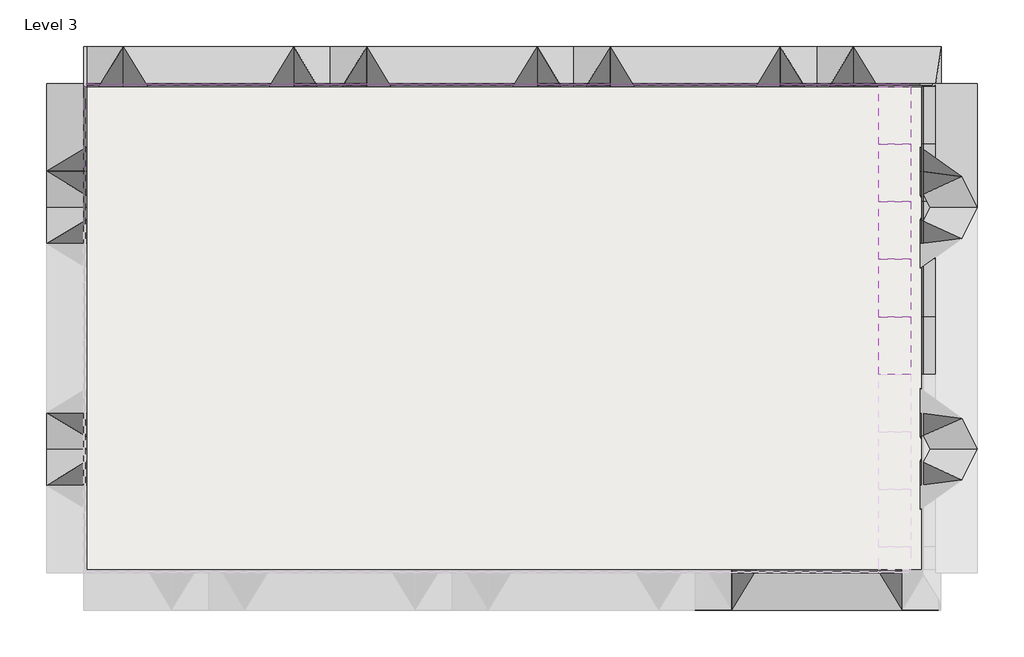
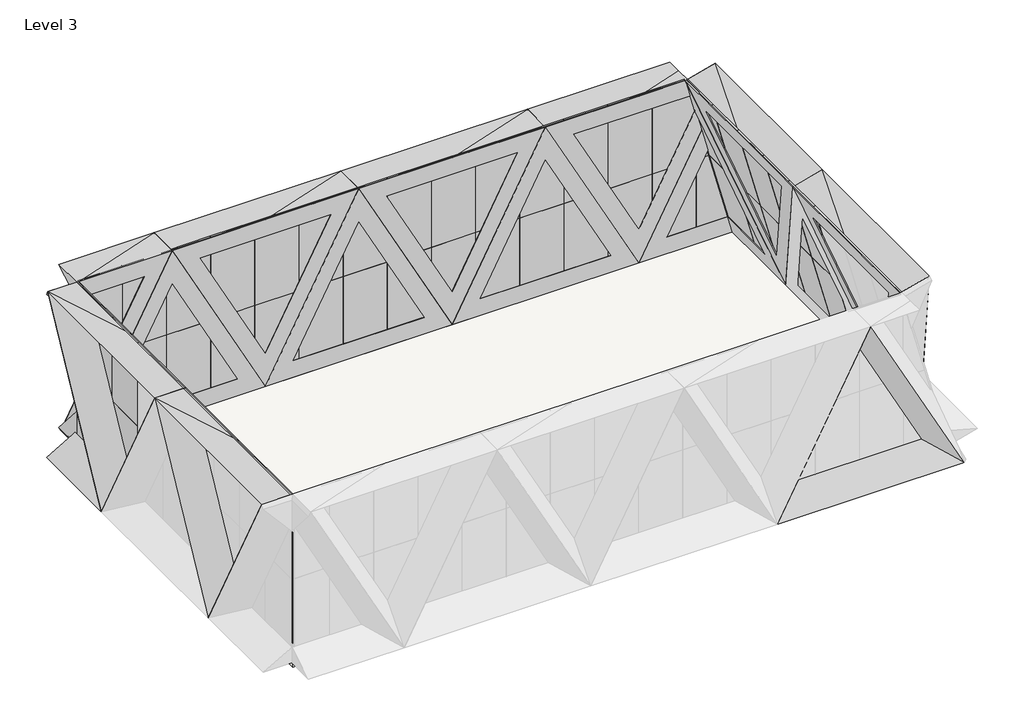
# One storey, part 2 of 2: 61 plates, 1 slab.
"""IFC4 building model written with IfcOpenShell, lengths in millimetres."""

import ifcopenshell
import ifcopenshell.guid

model = None  # the IFC model being written
_history = None  # IfcOwnerHistory: only IFC2X3 demands one
_inside = {}  # id of a spatial element -> (the spatial element, [elements in it])
_under = {}  # id of a project, library or spatial element -> (it, [spatial elements below it])
_declared = {}  # id of a project -> (the project, [libraries it declares])
_typed = {}  # id of a type object -> (the type object, [elements of that type])
_made_of = {}  # id of a material, layer set ... -> (it, [elements and type objects made of it])


def new_model(schema):
    """Start an empty IFC model of exactly this schema.

    Asked for "IFC4X3", IfcOpenShell would pick the latest addendum, in which some entities
    have other attributes; the version numbers below select the first issue.
    IFC2X3 requires an IfcOwnerHistory on every rooted entity: one is made here for all.
    """
    global model, _history
    if schema == "IFC4X3":
        model = ifcopenshell.file(schema_version=(4, 3, 0, 0))
    else:
        model = ifcopenshell.file(schema=schema)
    _inside.clear()
    _under.clear()
    _declared.clear()
    _typed.clear()
    _made_of.clear()
    _history = None
    if model.schema == "IFC2X3":
        org = make("IfcOrganization", Name="unknown")
        user = make(
            "IfcPersonAndOrganization",
            ThePerson=make("IfcPerson", FamilyName="unknown"),
            TheOrganization=org,
        )
        app = make(
            "IfcApplication",
            ApplicationDeveloper=org,
            Version="unknown",
            ApplicationFullName="unknown",
            ApplicationIdentifier="unknown",
        )
        _history = make(
            "IfcOwnerHistory",
            OwningUser=user,
            OwningApplication=app,
            ChangeAction="ADDED",
            CreationDate=0,
        )
    return model


def make(cls, **values):
    """One entity of the class cls with the attributes given. An attribute that is None is left unset."""
    return model.create_entity(
        cls, **{name: value for name, value in values.items() if value is not None}
    )


def rooted(cls, **values):
    """An entity with a GlobalId (a new one), such as an element, a storey or a relation."""
    return make(cls, GlobalId=ifcopenshell.guid.new(), OwnerHistory=_history, **values)


def si_unit(unit_type, name, prefix=None):
    """IfcSIUnit, for example si_unit("LENGTHUNIT", "METRE", prefix="MILLI")."""
    return make("IfcSIUnit", UnitType=unit_type, Prefix=prefix, Name=name)


def assignment(units):
    """IfcUnitAssignment: the units of a project."""
    return None if units is None else make("IfcUnitAssignment", Units=units)


def point(xyz):
    """IfcCartesianPoint."""
    return None if xyz is None else make("IfcCartesianPoint", Coordinates=xyz)


def direction(xyz):
    """IfcDirection."""
    return None if xyz is None else make("IfcDirection", DirectionRatios=xyz)


def frame(location, z_axis=None, x_axis=None):
    """IfcAxis2Placement3D, a coordinate frame: its origin and axes. An axis left out is left unset."""
    return make(
        "IfcAxis2Placement3D",
        Location=point(location),
        Axis=direction(z_axis),
        RefDirection=direction(x_axis),
    )


def origin():
    """The frame at (0, 0, 0) with its axes left unset."""
    return frame((0.0, 0.0, 0.0))


def origin_with_axes():
    """The frame at (0, 0, 0) with the z axis (0, 0, 1) and the x axis (1, 0, 0) written out."""
    return frame((0.0, 0.0, 0.0), z_axis=(0.0, 0.0, 1.0), x_axis=(1.0, 0.0, 0.0))


def place(relative_to, where):
    """IfcLocalPlacement: puts the frame where relative to a parent placement (None: the world)."""
    return make(
        "IfcLocalPlacement", PlacementRelTo=relative_to, RelativePlacement=where
    )


def context(
    kind, dimensions, precision=None, world=None, true_north=None, identifier=None
):
    """IfcGeometricRepresentationContext, for example the 3D "Model" context."""
    return make(
        "IfcGeometricRepresentationContext",
        ContextIdentifier=identifier,
        ContextType=kind,
        CoordinateSpaceDimension=dimensions,
        Precision=precision,
        WorldCoordinateSystem=world,
        TrueNorth=true_north,
    )


def project(units=None, contexts=None):
    """IfcProject with its units and contexts."""
    return rooted(
        "IfcProject",
        Name="project",
        RepresentationContexts=contexts,
        UnitsInContext=assignment(units),
    )


def spatial(cls, under=None, at=None, **own):
    """A site, building, storey or space (cls), placed at a placement, below another one or the project."""
    s = rooted(cls, ObjectPlacement=at, **own)
    if under is not None:
        _under.setdefault(under.id(), (under, []))[1].append(s)
    return s


def polyline(points):
    """IfcPolyline through the points."""
    return make("IfcPolyline", Points=[point(p) for p in points])


def outline(outer, holes=None, kind="AREA"):
    """IfcArbitraryClosedProfileDef: a profile drawn as a closed curve; with holes, ...WithVoids."""
    if holes is None:
        return make("IfcArbitraryClosedProfileDef", ProfileType=kind, OuterCurve=outer)
    return make(
        "IfcArbitraryProfileDefWithVoids",
        ProfileType=kind,
        OuterCurve=outer,
        InnerCurves=holes,
    )


def extrude(swept, where, along, depth):
    """IfcExtrudedAreaSolid: the profile swept, set in the frame where, extruded along a direction by depth."""
    return make(
        "IfcExtrudedAreaSolid",
        SweptArea=swept,
        Position=where,
        ExtrudedDirection=direction(along),
        Depth=depth,
    )


def faces_of(points, faces, orient=None, outer=None):
    """IfcFace entities. A face is a list of loops; a loop is a list of indices into points, from 0.

    orient and outer hold one flag for each loop. By default every Orientation is true, the
    first loop of a face is its IfcFaceOuterBound and the others are IfcFaceBound.
    """
    made = []
    for i, loops in enumerate(faces):
        bounds = []
        for j, loop in enumerate(loops):
            is_outer = j == 0 if outer is None else outer[i][j]
            bounds.append(
                make(
                    "IfcFaceOuterBound" if is_outer else "IfcFaceBound",
                    Bound=make("IfcPolyLoop", Polygon=[points[k] for k in loop]),
                    Orientation=True if orient is None else orient[i][j],
                )
            )
        made.append(make("IfcFace", Bounds=bounds))
    return made


def faceted_brep(points, faces, orient=None, outer=None, voids=None):
    """IfcFacetedBrep: a solid bounded by flat faces; with voids (closed shells), ...WithVoids."""
    shared = [point(p) for p in points]
    hull = make("IfcClosedShell", CfsFaces=faces_of(shared, faces, orient, outer))
    if voids is None:
        return make("IfcFacetedBrep", Outer=hull)
    return make(
        "IfcFacetedBrepWithVoids",
        Outer=hull,
        Voids=[
            make(cls, CfsFaces=faces_of(shared, fs, o, b)) for cls, fs, o, b in voids
        ],
    )


def shape(context_of_items, identifier, shape_type, items):
    """IfcShapeRepresentation: the items that make up one representation, for example the "Body"."""
    return make(
        "IfcShapeRepresentation",
        ContextOfItems=context_of_items,
        RepresentationIdentifier=identifier,
        RepresentationType=shape_type,
        Items=items,
    )


def source(mapping_origin, context_of_items, identifier, shape_type, items):
    """IfcRepresentationMap: a shape defined once, which mapped items show again and again."""
    return make(
        "IfcRepresentationMap",
        MappingOrigin=mapping_origin,
        MappedRepresentation=shape(context_of_items, identifier, shape_type, items),
    )


def transform(
    local_origin,
    x_axis=None,
    y_axis=None,
    z_axis=None,
    scale=None,
    scale2=None,
    scale3=None,
    uniform=True,
):
    """IfcCartesianTransformationOperator3D, or its non-uniform kind. x_axis, y_axis, z_axis: its Axis1, 2, 3."""
    if uniform:
        return make(
            "IfcCartesianTransformationOperator3D",
            Axis1=direction(x_axis),
            Axis2=direction(y_axis),
            LocalOrigin=point(local_origin),
            Scale=scale,
            Axis3=direction(z_axis),
        )
    return make(
        "IfcCartesianTransformationOperator3DnonUniform",
        Axis1=direction(x_axis),
        Axis2=direction(y_axis),
        LocalOrigin=point(local_origin),
        Scale=scale,
        Axis3=direction(z_axis),
        Scale2=scale2,
        Scale3=scale3,
    )


def mapped(mapping_source, mapping_target):
    """IfcMappedItem: shows the shape of a source again, moved by a transform."""
    return make(
        "IfcMappedItem", MappingSource=mapping_source, MappingTarget=mapping_target
    )


def made_of(thing, what):
    """Note that an element or type object is made of a material, layer set ...; save() writes the relation."""
    if what is not None:
        _made_of.setdefault(what.id(), (what, []))[1].append(thing)
    return thing


def element(
    cls,
    number,
    at=None,
    inside=None,
    cuts=None,
    type_object=None,
    material=None,
    context=None,
    identifier="Body",
    shape_type=None,
    held_by="IfcProductDefinitionShape",
    body=None,
    shapes=None,
    **own,
):
    """One element of the class cls, such as IfcWall. Its Tag is "e" and its number.

    at: its placement. inside: the storey or other place that contains it. cuts: it is an
    opening in that element (IfcRelVoidsElement). A single representation is given by context,
    identifier, shape_type and body (its items); several are given by shapes. held_by: the class
    of the entity that holds the representations. save() writes the other relations.
    """
    e = rooted(cls, Tag="e%d" % number, ObjectPlacement=at, **own)
    if body is not None:
        shapes = [shape(context, identifier, shape_type, body)]
    if shapes is not None:
        e.Representation = make(held_by, Representations=shapes)
    if inside is not None:
        _inside.setdefault(inside.id(), (inside, []))[1].append(e)
    if cuts is not None:
        rooted(
            "IfcRelVoidsElement", RelatingBuildingElement=cuts, RelatedOpeningElement=e
        )
    if type_object is not None:
        _typed.setdefault(type_object.id(), (type_object, []))[1].append(e)
    return made_of(e, material)


def aggregate(whole, parts):
    """IfcRelAggregates: a whole, such as a stair, and the parts it consists of."""
    return rooted("IfcRelAggregates", RelatingObject=whole, RelatedObjects=parts)


def save(model, path):
    """Write the relations noted so far, then the file.

    IfcRelAggregates (storeys below a building ...), IfcRelContainedInSpatialStructure (elements
    in a storey), IfcRelDefinesByType, IfcRelAssociatesMaterial and IfcRelDeclares: one each for
    every whole, place, type object, material and project.
    """
    for whole, parts in _under.values():
        aggregate(whole, parts)
    for where, things in _inside.values():
        rooted(
            "IfcRelContainedInSpatialStructure",
            RelatedElements=things,
            RelatingStructure=where,
        )
    for kind, things in _typed.values():
        rooted("IfcRelDefinesByType", RelatedObjects=things, RelatingType=kind)
    for what, things in _made_of.values():
        rooted("IfcRelAssociatesMaterial", RelatedObjects=things, RelatingMaterial=what)
    for by, libraries in _declared.values():
        rooted("IfcRelDeclares", RelatingContext=by, RelatedDefinitions=libraries)
    model.write(path)


def plate_922eb3b0(model_context):
    return source(origin(), model_context, "Body", "Brep", [
        faceted_brep([(6096.0, 2413.3333333, 0.0), (8210.2857143, 6413.3333333, 0.0), (8210.2857143, 6413.3333333, 700.0), (6096.0, 2413.3333333, 700.0), (6096.0, 6413.3333333, 0.0), (3981.7142857, 6413.3333333, 700.0), (3981.7142857, 6413.3333333, 0.0), (7576.0, 6013.3333333, 0.0), (4616.0, 6013.3333333, 0.0), (6096.0, 3213.3333333, 0.0)], [[[0, 1, 2, 3]], [[2, 1, 4, 5]], [[5, 4, 6]], [[0, 3, 5, 6]], [[1, 0, 6, 4], [7, 8, 9]], [[7, 2, 5, 8]], [[8, 5, 3, 9]], [[2, 7, 9, 3]]]),
    ])


def plate_5b34fb70(model_context):
    return source(origin(), model_context, "Body", "Brep", [
        faceted_brep([(6096.0, -2321.7758515, 0.0), (6096.0, -2321.7758515, 700.0), (8196.0, -6459.1120743, 700.0), (8196.0, -6459.1120743, 0.0), (3996.0, -6459.1120743, 700.0), (6096.0, -6459.1120743, 0.0), (3996.0, -6459.1120743, 0.0), (7566.0, -6045.378452, 0.0), (6096.0, -3149.243096, 0.0), (4626.0, -6045.378452, 0.0)], [[[0, 1, 2, 3]], [[2, 4, 5, 3]], [[4, 6, 5]], [[0, 6, 4, 1]], [[3, 5, 6, 0], [7, 8, 9]], [[7, 9, 4, 2]], [[9, 8, 1, 4]], [[2, 1, 8, 7]]]),
    ])


def plate_a750b372(model_context):
    return source(origin(), model_context, "Body", "Brep", [
        faceted_brep([(6096.0, 2413.3333333, 0.0), (8196.0, 6413.3333333, 0.0), (8196.0, 6413.3333333, 700.0), (6096.0, 2413.3333333, 700.0), (6096.0, 6413.3333333, 0.0), (3996.0, 6413.3333333, 700.0), (3996.0, 6413.3333333, 0.0), (7566.0, 6013.3333333, 0.0), (4626.0, 6013.3333333, 0.0), (6096.0, 3213.3333333, 0.0)], [[[0, 1, 2, 3]], [[2, 1, 4, 5]], [[5, 4, 6]], [[0, 3, 5, 6]], [[1, 0, 6, 4], [7, 8, 9]], [[7, 2, 5, 8]], [[8, 5, 3, 9]], [[2, 7, 9, 3]]]),
    ])


def system_panel_glazed_be29b8e7(model_context):
    return source(origin(), model_context, "Body", "SweptSolid", [
        extrude(outline(polyline([(500.0000002, 24.5), (-500.0000002, 24.5), (-500.0000002, 49.5), (500.0000002, 49.5), (500.0000002, 24.5)])), origin_with_axes(), (0.0, 0.0, 1.0), 2000.0),
    ])


def system_panel_glazed_3554767d(model_context):
    return source(origin(), model_context, "Body", "SweptSolid", [
        extrude(outline(polyline([(500.0000002, 24.5), (-500.0000002, 24.5), (-500.0000002, 49.5), (500.0000002, 49.5), (500.0000002, 24.5)])), origin_with_axes(), (0.0, 0.0, 1.0), 2070.0),
    ])


def system_panel_glazed_51f148e5(model_context):
    return source(origin(), model_context, "Body", "SweptSolid", [
        extrude(outline(polyline([(199.9999998, 24.5), (-199.9999998, 24.5), (-199.9999998, 49.5), (199.9999998, 49.5), (199.9999998, 24.5)])), origin_with_axes(), (0.0, 0.0, 1.0), 2000.0),
    ])


def system_panel_glazed_31e82986(model_context):
    return source(origin(), model_context, "Body", "SweptSolid", [
        extrude(outline(polyline([(0.0, -399.9999998), (0.0, 399.9999998), (2000.0, -128.5714287), (2000.0, -399.9999998), (0.0, -399.9999998)])), frame((0.0, 24.5, 0.0), z_axis=(0.0, 1.0, 0.0), x_axis=(0.0, 0.0, 1.0)), (0.0, 0.0, 1.0), 25.0),
    ])


def system_panel_glazed_a304a35b(model_context):
    return source(origin(), model_context, "Body", "SweptSolid", [
        extrude(outline(polyline([(0.0, -500.0), (0.0, 500.0), (1027.0270259, 500.0), (2000.0, 242.8571426), (2000.0, -500.0), (0.0, -500.0)])), frame((0.0, 24.5, 0.0), z_axis=(0.0, 1.0, 0.0), x_axis=(0.0, 0.0, 1.0)), (0.0, 0.0, 1.0), 25.0),
    ])


def system_panel_glazed_a1f136b3(model_context):
    return source(origin(), model_context, "Body", "SweptSolid", [
        extrude(outline(polyline([(0.0, -135.7142856), (0.0, 135.7142856), (1027.0270259, -135.7142856), (0.0, -135.7142856)])), frame((0.0, 24.5, 0.0), z_axis=(0.0, 1.0, 0.0), x_axis=(0.0, 0.0, 1.0)), (0.0, 0.0, 1.0), 25.0),
    ])


model = new_model("IFC4")

# Units and contexts
model_context = context("Model", 3, world=origin())
ifc_project = project(units=[si_unit("LENGTHUNIT", "METRE", prefix="MILLI")], contexts=[model_context])

# Site, building, storey
site = spatial("IfcSite", under=ifc_project)
building = spatial("IfcBuilding", under=site)
storey = spatial("IfcBuildingStorey", under=building, Name="Level 3", Elevation=8000.0)

# Plates
placement = place(None, origin())
element("IfcPlate", 1, at=placement, inside=storey, context=model_context, shape_type="Brep", body=[
    faceted_brep([(5694.4051868, 2753.1684788, 12000.0), (6371.1691357, 2753.1684788, 12178.8590436), (6396.7419248, 2803.9684788, 12082.0971389), (5719.9779759, 2803.9684788, 11903.2380952), (7428.3119928, 653.1684788, 8178.8590436), (6751.5480439, 2753.1684788, 8000.0), (6751.5480439, 2803.9684788, 8000.0), (7428.3119928, 2803.9684788, 8178.8590436), (6751.5480439, 653.1684788, 8000.0), (5931.4065473, 2803.9684788, 11103.2380952), (5905.8337582, 2753.1684788, 11200.0), (6645.8337582, 1283.1684788, 8400.0), (6645.8337582, 2803.9684788, 8400.0)], [[[0, 1, 2, 3]], [[4, 5, 6, 7]], [[5, 4, 8]], [[1, 0, 8, 4]], [[5, 8, 0, 3, 9, 10, 11, 12, 6]], [[11, 4, 7, 12]], [[1, 4, 11, 10]], [[1, 10, 9, 2]], [[3, 2, 9]], [[7, 6, 12]]]),
])
element("IfcPlate", 2, at=placement, inside=storey, context=model_context, shape_type="Brep", body=[
    faceted_brep([(4637.2623297, 2753.1684788, 8000.0), (2522.9766154, 2753.1684788, 12000.0), (2522.9766154, 3453.1684788, 12000.0), (4637.2623297, 3453.1684788, 8000.0), (4637.2623297, 2753.1684788, 12000.0), (5746.9493568, 3120.5648595, 12000.0), (5746.9493568, 3453.1684788, 12000.0), (5746.9493568, 2753.1684788, 12000.0), (6081.8155859, 3453.1684788, 10732.9385928), (6081.8155859, 2753.1684788, 10732.9385928), (5940.8632049, 2753.1684788, 11266.2719262), (4637.2623297, 2753.1684788, 8800.0), (3157.2623297, 2753.1684788, 11600.0), (5852.6636425, 2753.1684788, 11600.0)], [[[0, 1, 2, 3]], [[2, 1, 4, 5, 6]], [[5, 4, 7]], [[0, 3, 8, 9]], [[1, 0, 9, 10, 11, 12, 13, 7, 4]], [[12, 2, 6, 13]], [[3, 11, 10, 8]], [[3, 2, 12, 11]], [[6, 5, 7, 13]], [[9, 8, 10]]]),
])
element("IfcPlate", 3, at=placement, inside=storey, context=model_context, shape_type="Brep", body=[
    faceted_brep([(-8048.4519561, 3453.1684788, 8000.0), (-8048.4519561, 2753.1684788, 8000.0), (-8099.2519561, 2753.1684788, 8096.1081081), (-8099.2519561, 3453.1684788, 8096.1081081), (-8048.4519561, 2753.1684788, 12000.0), (-5934.1662418, 3453.1684788, 12000.0), (-8099.2519561, 3453.1684788, 12000.0), (-8099.2519561, 2753.1684788, 12000.0), (-5934.1662418, 2753.1684788, 12000.0), (-8099.2519561, 2753.1684788, 11600.0), (-6568.4519561, 2753.1684788, 11600.0), (-8048.4519561, 2753.1684788, 8800.0), (-8099.2519561, 2753.1684788, 8896.1081081)], [[[0, 1, 2, 3]], [[4, 5, 6, 7]], [[5, 4, 8]], [[1, 0, 5, 8]], [[8, 4, 7, 9, 10, 11, 12, 2, 1]], [[5, 10, 9, 6]], [[5, 0, 11, 10]], [[11, 0, 3, 12]], [[3, 2, 12]], [[7, 6, 9]]]),
])
element("IfcPlate", 4, at=placement, inside=storey, context=model_context, shape_type="Brep", body=[
    faceted_brep([(6751.5480439, 2753.1684788, 8000.0), (4637.2623297, 3453.1684788, 8000.0), (6802.3480439, 3453.1684788, 8000.0), (6802.3480439, 2753.1684788, 8000.0), (4637.2623297, 2753.1684788, 8000.0), (6081.8155859, 2753.1684788, 10732.9385928), (6081.8155859, 3453.1684788, 10732.9385928), (6802.3480439, 2753.1684788, 8006.5995623), (6698.3779283, 2753.1684788, 8400.0), (5271.5480439, 2753.1684788, 8400.0), (6222.7679668, 2753.1684788, 10199.6052595), (6802.3480439, 3441.6192449, 8006.5995623)], [[[0, 1, 2, 3]], [[1, 0, 4]], [[1, 4, 5, 6]], [[4, 0, 3, 7, 8, 9, 10, 5]], [[1, 9, 8, 11, 2]], [[9, 1, 6, 10]], [[7, 11, 8]], [[6, 5, 10]], [[11, 7, 3, 2]]]),
])
element("IfcPlate", 5, at=placement, inside=storey, context=model_context, shape_type="Brep", body=[
    faceted_brep([(-8748.4519561, 2753.1684788, 12000.0), (-8048.4519561, 2753.1684788, 12000.0), (-8048.4519561, 2803.9684788, 11903.2380952), (-8748.4519561, 2803.9684788, 11903.2380952), (-8048.4519561, 2753.1684788, 8000.0), (-8748.4519561, 653.1684788, 8000.0), (-8748.4519561, 2803.9684788, 8000.0), (-8048.4519561, 2803.9684788, 8000.0), (-8048.4519561, 653.1684788, 8000.0), (-8048.4519561, 2803.9684788, 8400.0), (-8048.4519561, 1283.1684788, 8400.0), (-8048.4519561, 2753.1684788, 11200.0), (-8048.4519561, 2803.9684788, 11103.2380952)], [[[0, 1, 2, 3]], [[4, 5, 6, 7]], [[5, 4, 8]], [[1, 0, 5, 8]], [[8, 4, 7, 9, 10, 11, 12, 2, 1]], [[5, 10, 9, 6]], [[5, 0, 11, 10]], [[11, 0, 3, 12]], [[3, 2, 12]], [[7, 6, 9]]]),
])
plate_shape = plate_922eb3b0(model_context)
element("IfcPlate", 6, at=placement, inside=storey, context=model_context, shape_type="MappedRepresentation", body=[
    mapped(plate_shape, transform((6504.6909011, 2753.1684788, 5586.6666667), x_axis=(-1.0, 0.0, 0.0), y_axis=(0.0, 0.0, 1.0), z_axis=(0.0, 1.0, 0.0))),
])
element("IfcPlate", 7, at=placement, inside=storey, context=model_context, shape_type="MappedRepresentation", body=[
    mapped(plate_shape, transform((2276.1194725, 2753.1684788, 5586.6666667), x_axis=(-1.0, 0.0, 0.0), y_axis=(0.0, 0.0, 1.0), z_axis=(0.0, 1.0, 0.0))),
])
element("IfcPlate", 8, at=placement, inside=storey, context=model_context, shape_type="MappedRepresentation", body=[
    mapped(plate_shape, transform((10733.2623297, -5646.8315212, 14413.3333333), x_axis=(-1.0, 0.0, 0.0), y_axis=(0.0, 0.0, -1.0), z_axis=(0.0, -1.0, 0.0))),
])
element("IfcPlate", 9, at=placement, inside=storey, context=model_context, shape_type="MappedRepresentation", body=[
    mapped(plate_shape, transform((-3573.0233846, 2753.1684788, 14413.3333333), x_axis=(1.0, 0.0, 0.0), y_axis=(0.0, 0.0, -1.0), z_axis=(0.0, 1.0, 0.0))),
])
element("IfcPlate", 10, at=placement, inside=storey, context=model_context, shape_type="MappedRepresentation", body=[
    mapped(plate_shape, transform((-7801.5948132, 2753.1684788, 14413.3333333), x_axis=(1.0, 0.0, 0.0), y_axis=(0.0, 0.0, -1.0), z_axis=(0.0, 1.0, 0.0))),
])
element("IfcPlate", 11, at=placement, inside=storey, context=model_context, shape_type="MappedRepresentation", body=[
    mapped(plate_shape, transform((-12030.1662418, 2753.1684788, 14413.3333333), x_axis=(1.0, 0.0, 0.0), y_axis=(0.0, 0.0, -1.0), z_axis=(0.0, 1.0, 0.0))),
])
plate_2_shape = plate_5b34fb70(model_context)
element("IfcPlate", 12, at=placement, inside=storey, context=model_context, shape_type="MappedRepresentation", body=[
    mapped(plate_2_shape, transform((7344.7917701, 6749.1684788, 5755.294009), x_axis=(0.0, -1.0, 0.0), y_axis=(0.25551291947698035, 0.0, -0.9668056412642358), z_axis=(0.9668056412642358, 0.0, 0.25551291947698035))),
])
element("IfcPlate", 13, at=placement, inside=storey, context=model_context, shape_type="MappedRepresentation", body=[
    mapped(plate_2_shape, transform((7344.7917701, 2549.1684788, 5755.294009), x_axis=(0.0, -1.0, 0.0), y_axis=(0.25551291947698057, 0.0, -0.9668056412642356), z_axis=(0.9668056412642356, 0.0, 0.25551291947698057))),
])
plate_3_shape = plate_a750b372(model_context)
element("IfcPlate", 14, at=placement, inside=storey, context=model_context, shape_type="MappedRepresentation", body=[
    mapped(plate_3_shape, transform((-8048.4519561, 6749.1684788, 5586.6666667), x_axis=(0.0, -1.0, 0.0), y_axis=(0.0, 0.0, 1.0), z_axis=(-1.0, 0.0, 0.0))),
])
element("IfcPlate", 15, at=placement, inside=storey, context=model_context, shape_type="MappedRepresentation", body=[
    mapped(plate_3_shape, transform((-8048.4519561, 2549.1684788, 5586.6666667), x_axis=(0.0, -1.0, 0.0), y_axis=(0.0, 0.0, 1.0), z_axis=(-1.0, 0.0, 0.0))),
])
system_panel_glazed_shape = system_panel_glazed_be29b8e7(model_context)
element("IfcPlate", 16, ObjectType="System Panel : Glazed", at=placement, inside=storey, context=model_context, shape_type="MappedRepresentation", body=[
    mapped(system_panel_glazed_shape, transform((-7548.4519559, 2753.1684788, 8000.0), x_axis=(1.0, 0.0, 0.0), y_axis=(0.0, 1.0, 0.0), z_axis=(0.0, 0.0, 1.0))),
])
element("IfcPlate", 17, ObjectType="System Panel : Glazed", at=placement, inside=storey, context=model_context, shape_type="MappedRepresentation", body=[
    mapped(system_panel_glazed_shape, transform((-6548.4519558, 2753.1684788, 8000.0), x_axis=(1.0, 0.0, 0.0), y_axis=(0.0, 1.0, 0.0), z_axis=(0.0, 0.0, 1.0))),
])
element("IfcPlate", 18, ObjectType="System Panel : Glazed", at=placement, inside=storey, context=model_context, shape_type="MappedRepresentation", body=[
    mapped(system_panel_glazed_shape, transform((-5548.4519558, 2753.1684788, 8000.0), x_axis=(1.0, 0.0, 0.0), y_axis=(0.0, 1.0, 0.0), z_axis=(0.0, 0.0, 1.0))),
])
element("IfcPlate", 19, ObjectType="System Panel : Glazed", at=placement, inside=storey, context=model_context, shape_type="MappedRepresentation", body=[
    mapped(system_panel_glazed_shape, transform((-4548.4519558, 2753.1684788, 8000.0), x_axis=(1.0, 0.0, 0.0), y_axis=(0.0, 1.0, 0.0), z_axis=(0.0, 0.0, 1.0))),
])
element("IfcPlate", 20, ObjectType="System Panel : Glazed", at=placement, inside=storey, context=model_context, shape_type="MappedRepresentation", body=[
    mapped(system_panel_glazed_shape, transform((-3548.4519558, 2753.1684788, 8000.0), x_axis=(1.0, 0.0, 0.0), y_axis=(0.0, 1.0, 0.0), z_axis=(0.0, 0.0, 1.0))),
])
element("IfcPlate", 21, ObjectType="System Panel : Glazed", at=placement, inside=storey, context=model_context, shape_type="MappedRepresentation", body=[
    mapped(system_panel_glazed_shape, transform((-2548.4519558, 2753.1684788, 8000.0), x_axis=(1.0, 0.0, 0.0), y_axis=(0.0, 1.0, 0.0), z_axis=(0.0, 0.0, 1.0))),
])
element("IfcPlate", 22, ObjectType="System Panel : Glazed", at=placement, inside=storey, context=model_context, shape_type="MappedRepresentation", body=[
    mapped(system_panel_glazed_shape, transform((-1548.4519558, 2753.1684788, 8000.0), x_axis=(1.0, 0.0, 0.0), y_axis=(0.0, 1.0, 0.0), z_axis=(0.0, 0.0, 1.0))),
])
element("IfcPlate", 23, ObjectType="System Panel : Glazed", at=placement, inside=storey, context=model_context, shape_type="MappedRepresentation", body=[
    mapped(system_panel_glazed_shape, transform((-548.4519558, 2753.1684788, 8000.0), x_axis=(1.0, 0.0, 0.0), y_axis=(0.0, 1.0, 0.0), z_axis=(0.0, 0.0, 1.0))),
])
element("IfcPlate", 24, ObjectType="System Panel : Glazed", at=placement, inside=storey, context=model_context, shape_type="MappedRepresentation", body=[
    mapped(system_panel_glazed_shape, transform((451.5480442, 2753.1684788, 8000.0), x_axis=(1.0, 0.0, 0.0), y_axis=(0.0, 1.0, 0.0), z_axis=(0.0, 0.0, 1.0))),
])
element("IfcPlate", 25, ObjectType="System Panel : Glazed", at=placement, inside=storey, context=model_context, shape_type="MappedRepresentation", body=[
    mapped(system_panel_glazed_shape, transform((1451.5480442, 2753.1684788, 8000.0), x_axis=(1.0, 0.0, 0.0), y_axis=(0.0, 1.0, 0.0), z_axis=(0.0, 0.0, 1.0))),
])
element("IfcPlate", 26, ObjectType="System Panel : Glazed", at=placement, inside=storey, context=model_context, shape_type="MappedRepresentation", body=[
    mapped(system_panel_glazed_shape, transform((2451.5480442, 2753.1684788, 8000.0), x_axis=(1.0, 0.0, 0.0), y_axis=(0.0, 1.0, 0.0), z_axis=(0.0, 0.0, 1.0))),
])
element("IfcPlate", 27, ObjectType="System Panel : Glazed", at=placement, inside=storey, context=model_context, shape_type="MappedRepresentation", body=[
    mapped(system_panel_glazed_shape, transform((3451.5480442, 2753.1684788, 8000.0), x_axis=(1.0, 0.0, 0.0), y_axis=(0.0, 1.0, 0.0), z_axis=(0.0, 0.0, 1.0))),
])
element("IfcPlate", 28, ObjectType="System Panel : Glazed", at=placement, inside=storey, context=model_context, shape_type="MappedRepresentation", body=[
    mapped(system_panel_glazed_shape, transform((4451.5480442, 2753.1684788, 8000.0), x_axis=(1.0, 0.0, 0.0), y_axis=(0.0, 1.0, 0.0), z_axis=(0.0, 0.0, 1.0))),
])
element("IfcPlate", 29, ObjectType="System Panel : Glazed", at=placement, inside=storey, context=model_context, shape_type="MappedRepresentation", body=[
    mapped(system_panel_glazed_shape, transform((5451.5480442, 2753.1684788, 8000.0), x_axis=(1.0, 0.0, 0.0), y_axis=(0.0, 1.0, 0.0), z_axis=(0.0, 0.0, 1.0))),
])
element("IfcPlate", 30, ObjectType="System Panel : Glazed", at=placement, inside=storey, context=model_context, shape_type="MappedRepresentation", body=[
    mapped(system_panel_glazed_shape, transform((-7548.4519559, 2753.1684788, 10000.0), x_axis=(1.0, 0.0, 0.0), y_axis=(0.0, 1.0, 0.0), z_axis=(0.0, 0.0, 1.0))),
])
element("IfcPlate", 31, ObjectType="System Panel : Glazed", at=placement, inside=storey, context=model_context, shape_type="MappedRepresentation", body=[
    mapped(system_panel_glazed_shape, transform((-6548.4519558, 2753.1684788, 10000.0), x_axis=(1.0, 0.0, 0.0), y_axis=(0.0, 1.0, 0.0), z_axis=(0.0, 0.0, 1.0))),
])
element("IfcPlate", 32, ObjectType="System Panel : Glazed", at=placement, inside=storey, context=model_context, shape_type="MappedRepresentation", body=[
    mapped(system_panel_glazed_shape, transform((-5548.4519558, 2753.1684788, 10000.0), x_axis=(1.0, 0.0, 0.0), y_axis=(0.0, 1.0, 0.0), z_axis=(0.0, 0.0, 1.0))),
])
element("IfcPlate", 33, ObjectType="System Panel : Glazed", at=placement, inside=storey, context=model_context, shape_type="MappedRepresentation", body=[
    mapped(system_panel_glazed_shape, transform((-4548.4519558, 2753.1684788, 10000.0), x_axis=(1.0, 0.0, 0.0), y_axis=(0.0, 1.0, 0.0), z_axis=(0.0, 0.0, 1.0))),
])
element("IfcPlate", 34, ObjectType="System Panel : Glazed", at=placement, inside=storey, context=model_context, shape_type="MappedRepresentation", body=[
    mapped(system_panel_glazed_shape, transform((-3548.4519558, 2753.1684788, 10000.0), x_axis=(1.0, 0.0, 0.0), y_axis=(0.0, 1.0, 0.0), z_axis=(0.0, 0.0, 1.0))),
])
element("IfcPlate", 35, ObjectType="System Panel : Glazed", at=placement, inside=storey, context=model_context, shape_type="MappedRepresentation", body=[
    mapped(system_panel_glazed_shape, transform((-2548.4519558, 2753.1684788, 10000.0), x_axis=(1.0, 0.0, 0.0), y_axis=(0.0, 1.0, 0.0), z_axis=(0.0, 0.0, 1.0))),
])
element("IfcPlate", 36, ObjectType="System Panel : Glazed", at=placement, inside=storey, context=model_context, shape_type="MappedRepresentation", body=[
    mapped(system_panel_glazed_shape, transform((-1548.4519558, 2753.1684788, 10000.0), x_axis=(1.0, 0.0, 0.0), y_axis=(0.0, 1.0, 0.0), z_axis=(0.0, 0.0, 1.0))),
])
element("IfcPlate", 37, ObjectType="System Panel : Glazed", at=placement, inside=storey, context=model_context, shape_type="MappedRepresentation", body=[
    mapped(system_panel_glazed_shape, transform((-548.4519558, 2753.1684788, 10000.0), x_axis=(1.0, 0.0, 0.0), y_axis=(0.0, 1.0, 0.0), z_axis=(0.0, 0.0, 1.0))),
])
element("IfcPlate", 38, ObjectType="System Panel : Glazed", at=placement, inside=storey, context=model_context, shape_type="MappedRepresentation", body=[
    mapped(system_panel_glazed_shape, transform((451.5480442, 2753.1684788, 10000.0), x_axis=(1.0, 0.0, 0.0), y_axis=(0.0, 1.0, 0.0), z_axis=(0.0, 0.0, 1.0))),
])
element("IfcPlate", 39, ObjectType="System Panel : Glazed", at=placement, inside=storey, context=model_context, shape_type="MappedRepresentation", body=[
    mapped(system_panel_glazed_shape, transform((1451.5480442, 2753.1684788, 10000.0), x_axis=(1.0, 0.0, 0.0), y_axis=(0.0, 1.0, 0.0), z_axis=(0.0, 0.0, 1.0))),
])
element("IfcPlate", 40, ObjectType="System Panel : Glazed", at=placement, inside=storey, context=model_context, shape_type="MappedRepresentation", body=[
    mapped(system_panel_glazed_shape, transform((2451.5480442, 2753.1684788, 10000.0), x_axis=(1.0, 0.0, 0.0), y_axis=(0.0, 1.0, 0.0), z_axis=(0.0, 0.0, 1.0))),
])
element("IfcPlate", 41, ObjectType="System Panel : Glazed", at=placement, inside=storey, context=model_context, shape_type="MappedRepresentation", body=[
    mapped(system_panel_glazed_shape, transform((3451.5480442, 2753.1684788, 10000.0), x_axis=(1.0, 0.0, 0.0), y_axis=(0.0, 1.0, 0.0), z_axis=(0.0, 0.0, 1.0))),
])
element("IfcPlate", 42, ObjectType="System Panel : Glazed", at=placement, inside=storey, context=model_context, shape_type="MappedRepresentation", body=[
    mapped(system_panel_glazed_shape, transform((4451.5480442, 2753.1684788, 10000.0), x_axis=(1.0, 0.0, 0.0), y_axis=(0.0, 1.0, 0.0), z_axis=(0.0, 0.0, 1.0))),
])
element("IfcPlate", 43, ObjectType="System Panel : Glazed", at=placement, inside=storey, context=model_context, shape_type="MappedRepresentation", body=[
    mapped(system_panel_glazed_shape, transform((-8048.4519561, 853.1684791, 8000.0), x_axis=(0.0, 1.0, 0.0), y_axis=(-1.0, 0.0, 0.0), z_axis=(0.0, 0.0, 1.0))),
])
element("IfcPlate", 44, ObjectType="System Panel : Glazed", at=placement, inside=storey, context=model_context, shape_type="MappedRepresentation", body=[
    mapped(system_panel_glazed_shape, transform((-8048.4519561, 1853.1684791, 8000.0), x_axis=(0.0, 1.0, 0.0), y_axis=(-1.0, 0.0, 0.0), z_axis=(0.0, 0.0, 1.0))),
])
element("IfcPlate", 45, ObjectType="System Panel : Glazed", at=placement, inside=storey, context=model_context, shape_type="MappedRepresentation", body=[
    mapped(system_panel_glazed_shape, transform((-8048.4519561, 853.1684791, 10000.0), x_axis=(0.0, 1.0, 0.0), y_axis=(-1.0, 0.0, 0.0), z_axis=(0.0, 0.0, 1.0))),
])
element("IfcPlate", 46, ObjectType="System Panel : Glazed", at=placement, inside=storey, context=model_context, shape_type="MappedRepresentation", body=[
    mapped(system_panel_glazed_shape, transform((-8048.4519561, 1853.1684791, 10000.0), x_axis=(0.0, 1.0, 0.0), y_axis=(-1.0, 0.0, 0.0), z_axis=(0.0, 0.0, 1.0))),
])
system_panel_glazed_2_shape = system_panel_glazed_3554767d(model_context)
element("IfcPlate", 47, ObjectType="System Panel : Glazed", at=placement, inside=storey, context=model_context, shape_type="MappedRepresentation", body=[
    mapped(system_panel_glazed_2_shape, transform((6751.5480439, 2253.1684787, 8000.0), x_axis=(0.0, -1.0, 0.0), y_axis=(0.9668056412642357, 0.0, 0.25551291947698035), z_axis=(-0.25551291947698035, 0.0, 0.9668056412642357))),
])
element("IfcPlate", 48, ObjectType="System Panel : Glazed", at=placement, inside=storey, context=model_context, shape_type="MappedRepresentation", body=[
    mapped(system_panel_glazed_2_shape, transform((6751.5480439, 1253.1684785, 8000.0), x_axis=(0.0, -1.0, 0.0), y_axis=(0.9668056412642357, 0.0, 0.25551291947698035), z_axis=(-0.25551291947698035, 0.0, 0.9668056412642357))),
])
element("IfcPlate", 49, ObjectType="System Panel : Glazed", at=placement, inside=storey, context=model_context, shape_type="MappedRepresentation", body=[
    mapped(system_panel_glazed_2_shape, transform((6751.5480439, 253.1684785, 8000.0), x_axis=(0.0, -1.0, 0.0), y_axis=(0.9668056412642357, 0.0, 0.25551291947698035), z_axis=(-0.25551291947698035, 0.0, 0.9668056412642357))),
])
element("IfcPlate", 50, ObjectType="System Panel : Glazed", at=placement, inside=storey, context=model_context, shape_type="MappedRepresentation", body=[
    mapped(system_panel_glazed_2_shape, transform((6751.5480439, -746.8315215, 8000.0), x_axis=(0.0, -1.0, 0.0), y_axis=(0.9668056412642357, 0.0, 0.25551291947698035), z_axis=(-0.25551291947698035, 0.0, 0.9668056412642357))),
])
element("IfcPlate", 51, ObjectType="System Panel : Glazed", at=placement, inside=storey, context=model_context, shape_type="MappedRepresentation", body=[
    mapped(system_panel_glazed_2_shape, transform((6751.5480439, -1746.8315215, 8000.0), x_axis=(0.0, -1.0, 0.0), y_axis=(0.9668056412642357, 0.0, 0.25551291947698035), z_axis=(-0.25551291947698035, 0.0, 0.9668056412642357))),
])
element("IfcPlate", 52, ObjectType="System Panel : Glazed", at=placement, inside=storey, context=model_context, shape_type="MappedRepresentation", body=[
    mapped(system_panel_glazed_2_shape, transform((6222.6363006, 2253.1684787, 10001.2876774), x_axis=(0.0, -1.0, 0.0), y_axis=(0.9668056412642357, 0.0, 0.25551291947698035), z_axis=(-0.25551291947698035, 0.0, 0.9668056412642357))),
])
element("IfcPlate", 53, ObjectType="System Panel : Glazed", at=placement, inside=storey, context=model_context, shape_type="MappedRepresentation", body=[
    mapped(system_panel_glazed_2_shape, transform((6222.6363006, 1253.1684785, 10001.2876774), x_axis=(0.0, -1.0, 0.0), y_axis=(0.9668056412642357, 0.0, 0.25551291947698035), z_axis=(-0.25551291947698035, 0.0, 0.9668056412642357))),
])
element("IfcPlate", 54, ObjectType="System Panel : Glazed", at=placement, inside=storey, context=model_context, shape_type="MappedRepresentation", body=[
    mapped(system_panel_glazed_2_shape, transform((6222.6363006, 253.1684785, 10001.2876774), x_axis=(0.0, -1.0, 0.0), y_axis=(0.9668056412642357, 0.0, 0.25551291947698035), z_axis=(-0.25551291947698035, 0.0, 0.9668056412642357))),
])
element("IfcPlate", 55, ObjectType="System Panel : Glazed", at=placement, inside=storey, context=model_context, shape_type="MappedRepresentation", body=[
    mapped(system_panel_glazed_2_shape, transform((6222.6363006, -746.8315215, 10001.2876774), x_axis=(0.0, -1.0, 0.0), y_axis=(0.9668056412642357, 0.0, 0.25551291947698035), z_axis=(-0.25551291947698035, 0.0, 0.9668056412642357))),
])
element("IfcPlate", 56, ObjectType="System Panel : Glazed", at=placement, inside=storey, context=model_context, shape_type="MappedRepresentation", body=[
    mapped(system_panel_glazed_2_shape, transform((6222.6363006, -1746.8315215, 10001.2876774), x_axis=(0.0, -1.0, 0.0), y_axis=(0.9668056412642357, 0.0, 0.25551291947698035), z_axis=(-0.25551291947698035, 0.0, 0.9668056412642357))),
])
system_panel_glazed_3_shape = system_panel_glazed_51f148e5(model_context)
element("IfcPlate", 57, ObjectType="System Panel : Glazed", at=placement, inside=storey, context=model_context, shape_type="MappedRepresentation", body=[
    mapped(system_panel_glazed_3_shape, transform((-8048.4519561, 2553.168479, 8000.0), x_axis=(0.0, 1.0, 0.0), y_axis=(-1.0, 0.0, 0.0), z_axis=(0.0, 0.0, 1.0))),
])
element("IfcPlate", 58, ObjectType="System Panel : Glazed", at=placement, inside=storey, context=model_context, shape_type="MappedRepresentation", body=[
    mapped(system_panel_glazed_3_shape, transform((-8048.4519561, 2553.168479, 10000.0), x_axis=(0.0, 1.0, 0.0), y_axis=(-1.0, 0.0, 0.0), z_axis=(0.0, 0.0, 1.0))),
])
system_panel_glazed_4_shape = system_panel_glazed_31e82986(model_context)
element("IfcPlate", 59, ObjectType="System Panel : Glazed", at=placement, inside=storey, context=model_context, shape_type="MappedRepresentation", body=[
    mapped(system_panel_glazed_4_shape, transform((6351.5480441, 2753.1684788, 8000.0), x_axis=(1.0, 0.0, 0.0), y_axis=(0.0, 1.0, 0.0), z_axis=(0.0, 0.0, 1.0))),
])
system_panel_glazed_5_shape = system_panel_glazed_a304a35b(model_context)
element("IfcPlate", 60, ObjectType="System Panel : Glazed", at=placement, inside=storey, context=model_context, shape_type="MappedRepresentation", body=[
    mapped(system_panel_glazed_5_shape, transform((5451.5480442, 2753.1684788, 10000.0), x_axis=(1.0, 0.0, 0.0), y_axis=(0.0, 1.0, 0.0), z_axis=(0.0, 0.0, 1.0))),
])
system_panel_glazed_6_shape = system_panel_glazed_a1f136b3(model_context)
element("IfcPlate", 61, ObjectType="System Panel : Glazed", at=placement, inside=storey, context=model_context, shape_type="MappedRepresentation", body=[
    mapped(system_panel_glazed_6_shape, transform((6087.2623298, 2753.1684788, 10000.0), x_axis=(1.0, 0.0, 0.0), y_axis=(0.0, 1.0, 0.0), z_axis=(0.0, 0.0, 1.0))),
])

# Slab
element("IfcSlab", 62, ObjectType="Generic 150mm", at=placement, inside=storey, context=model_context, shape_type="SweptSolid", body=[
    extrude(outline(polyline([(6751.5480439, 2753.1684788), (6751.5480439, -5646.8315212), (-8048.4519561, -5646.8315212), (-8048.4519561, 2753.1684788), (6751.5480439, 2753.1684788)])), frame((0.0, 0.0, 7850.0), z_axis=(0.0, 0.0, 1.0), x_axis=(1.0, 0.0, 0.0)), (0.0, 0.0, 1.0), 150.0),
])

save(model, "model.ifc")
